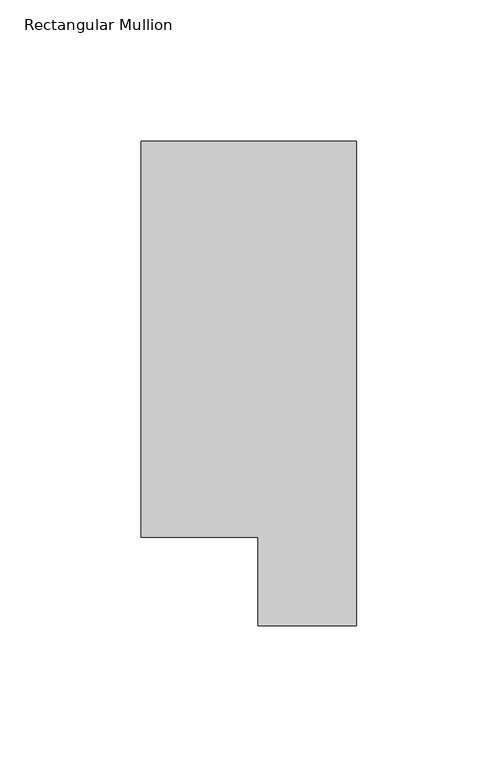
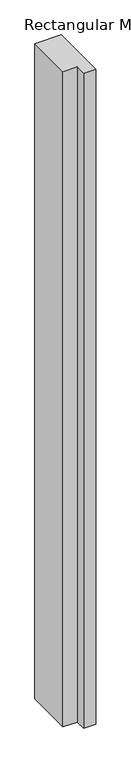
"""IFC4 building model written with IfcOpenShell, lengths in millimetres: member geometry, Rectangular Mullion."""

from ifc_helpers import new_model, si_unit, frame, origin, place, context, project, spatial, polyline, outline, extrude, source, transform, mapped, element, save


def rectangular_mullion_18e320cd(model_context):
    return source(origin(), model_context, "Body", "SweptSolid", [
        extrude(outline(polyline([(0.0, 190.7881313), (0.0, 19.5667313), (-34.9123, 19.5667313), (-34.9123, 50.820278), (-76.2, 50.820278), (-76.2, 190.7881313), (0.0, 190.7881313)])), frame((0.0, 0.0, -1993.9000004), z_axis=(0.0, 0.0, 1.0), x_axis=(1.0, 0.0, 0.0)), (0.0, 0.0, 1.0), 1993.9000004),
    ])


if __name__ == "__main__":
    model = new_model("IFC4")
    model_context = context("Model", 3, world=origin())
    ifc_project = project(units=[si_unit("LENGTHUNIT", "METRE", prefix="MILLI")], contexts=[model_context])
    site = spatial("IfcSite", under=ifc_project)
    building = spatial("IfcBuilding", under=site)
    placement = place(None, origin())
    rectangular_mullion_shape = rectangular_mullion_18e320cd(model_context)
    element("IfcMember", 1, ObjectType="Rectangular Mullion", at=placement, inside=building, context=model_context, shape_type="MappedRepresentation", body=[
        mapped(rectangular_mullion_shape, transform((0.0, 0.0, 0.0), x_axis=(1.0, 0.0, 0.0), y_axis=(0.0, 1.0, 0.0), z_axis=(0.0, 0.0, 1.0))),
    ])
    save(model, "model.ifc")
